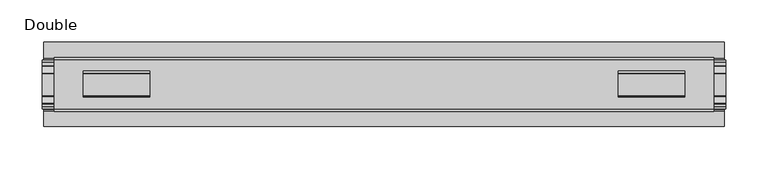
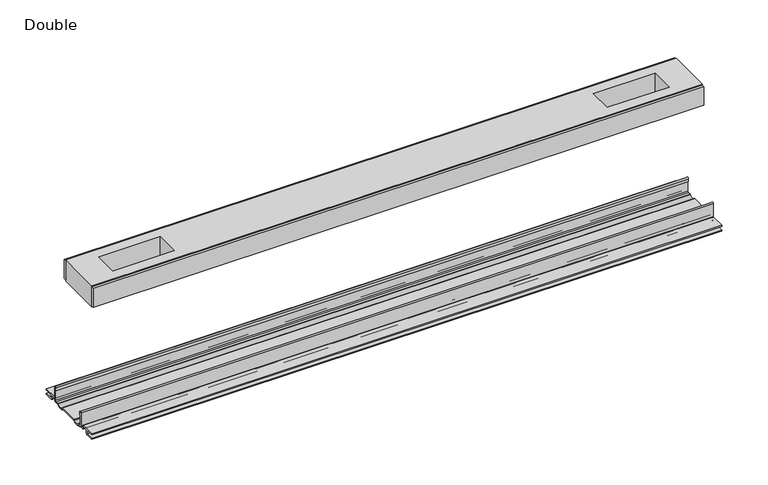
"""IFC4 building model written with IfcOpenShell, lengths in millimetres: proxy geometry, Double."""

from ifc_helpers import new_model, si_unit, point, frame, frame_2d, origin, place, context, project, spatial, polyline, circle_curve, trimmed, segment, composite_curve, outline, extrude, source, transform, mapped, element, save


def double_7a572fdc(model_context):
    return source(origin(), model_context, "Body", "SweptSolid", [
        extrude(outline(polyline([(390.4615091, 29.0068005), (-390.4615091, 29.0068005), (-390.4615091, 32.1817997), (390.4615091, 32.1817997), (390.4615091, 29.0068005)])), frame((0.0, 0.0, 149.8401622), z_axis=(0.0, 0.0, 1.0), x_axis=(1.0, 0.0, 0.0)), (0.0, 0.0, 1.0), 25.3999939),
        extrude(outline(polyline([(390.4615091, -32.1817997), (-390.4615091, -32.1817997), (-390.4615091, -29.0068005), (390.4615091, -29.0068005), (390.4615091, -32.1817997)])), frame((0.0, 0.0, 149.8401622), z_axis=(0.0, 0.0, 1.0), x_axis=(1.0, 0.0, 0.0)), (0.0, 0.0, 1.0), 25.3999939),
        extrude(outline(polyline([(390.4615091, -29.0068005), (-390.4615091, -29.0068005), (-390.4615091, 29.0068005), (390.4615091, 29.0068005), (390.4615091, -29.0068005)]), holes=[polyline([(356.0444965, -15.1130038), (356.0444965, 15.875003), (276.9996847, 15.875003), (276.9996847, -15.1130038), (356.0444965, -15.1130038)]), polyline([(-356.0444965, -15.1130038), (-276.9996847, -15.1130038), (-276.9996847, 15.875003), (-356.0444965, 15.875003), (-356.0444965, -15.1130038)])]), frame((0.0, 0.0, 148.4185847), z_axis=(0.0, 0.0, 1.0), x_axis=(1.0, 0.0, 0.0)), (0.0, 0.0, 1.0), 27.9999988),
        extrude(outline(composite_curve([segment(trimmed(circle_curve(frame_2d((26.6420561, -7.7516037)), 2.17424), [point((28.8162961, -7.7516037))], [point((26.6420561, -9.9258438))], False, "CARTESIAN"), True, "CONTINUOUS"), segment(polyline([(26.6420561, -9.9258438), (22.3510694, -9.9258438)]), True, "CONTINUOUS"), segment(trimmed(circle_curve(frame_2d((17.7706549, -6.4800016)), 5.7318431), [point((22.3510694, -9.9258438))], [point((13.1902404, -9.9258438))], False, "CARTESIAN"), True, "CONTINUOUS"), segment(polyline([(13.1902404, -9.9258438), (-13.57124, -9.9258438)]), True, "CONTINUOUS"), segment(trimmed(circle_curve(frame_2d((-18.1516545, -6.4800016)), 5.7318431), [point((-13.57124, -9.9258438))], [point((-22.732069, -9.9258438))], False, "CARTESIAN"), True, "CONTINUOUS"), segment(polyline([(-22.732069, -9.9258438), (-27.0230557, -9.9258438)]), True, "CONTINUOUS"), segment(trimmed(circle_curve(frame_2d((-27.0230557, -7.7516037)), 2.17424), [point((-27.0230557, -9.9258438))], [point((-29.1972958, -7.7516037))], False, "CARTESIAN"), True, "CONTINUOUS"), segment(polyline([(-29.1972958, -7.7516037), (-29.1972958, 9.8607558)]), True, "CONTINUOUS"), segment(trimmed(circle_curve(frame_2d((-27.9780978, 9.8607558)), 1.2191979), [point((-29.1972958, 9.8607558))], [point((-26.7588999, 9.8607558))], False, "CARTESIAN"), True, "CONTINUOUS"), segment(polyline([(-26.7588999, 9.8607558), (-26.7588999, 5.9999563), (-28.0390765, 5.9999563), (-28.0390765, -7.7516037)]), True, "CONTINUOUS"), segment(trimmed(circle_curve(frame_2d((-27.0230557, -7.7516037)), 1.0160208), [point((-28.0390765, -7.7516037))], [point((-27.0295728, -8.7676036))], True, "CARTESIAN"), True, "CONTINUOUS"), segment(polyline([(-27.0295728, -8.7676036), (-23.0866222, -8.7676036), (-22.1732605, -8.968753)]), True, "CONTINUOUS"), segment(trimmed(circle_curve(frame_2d((-18.1483018, -6.1259382)), 4.9276657), [point((-22.1732605, -8.968753))], [point((-14.123343, -8.968753))], True, "CARTESIAN"), True, "CONTINUOUS"), segment(polyline([(-14.123343, -8.968753), (-13.2099722, -8.7676036), (12.8289726, -8.7676036), (13.7423434, -8.968753)]), True, "CONTINUOUS"), segment(trimmed(circle_curve(frame_2d((17.7673021, -6.1259382)), 4.9276657), [point((13.7423434, -8.968753))], [point((21.7922609, -8.968753))], True, "CARTESIAN"), True, "CONTINUOUS"), segment(polyline([(21.7922609, -8.968753), (22.7056226, -8.7676036), (26.6485732, -8.7676036)]), True, "CONTINUOUS"), segment(trimmed(circle_curve(frame_2d((26.6420561, -7.7516037)), 1.0160208), [point((26.6485732, -8.7676036))], [point((27.6580769, -7.7516037))], True, "CARTESIAN"), True, "CONTINUOUS"), segment(polyline([(27.6580769, -7.7516037), (27.6580769, 5.9999563), (26.3779003, 5.9999563), (26.3779003, 9.8607558)]), True, "CONTINUOUS"), segment(trimmed(circle_curve(frame_2d((27.5970982, 9.8607558)), 1.2191979), [point((26.3779003, 9.8607558))], [point((28.8162961, 9.8607558))], False, "CARTESIAN"), True, "CONTINUOUS"), segment(polyline([(28.8162961, 9.8607558), (28.8162961, -7.7516037)]), True, "CONTINUOUS")], self_intersect=False)), frame((-404.5204, 0.0, 0.0), z_axis=(1.0, 0.0, 0.0), x_axis=(0.0, 1.0, 0.0)), (0.0, 0.0, 1.0), 809.0408),
        extrude(outline(composite_curve([segment(polyline([(50.2668422, -13.9898438), (39.6557522, -13.9898438)]), True, "CONTINUOUS"), segment(trimmed(circle_curve(frame_2d((39.6557522, -12.4658438)), 1.524), [point((39.6557522, -13.9898438))], [point((38.1317522, -12.4658438))], False, "CARTESIAN"), True, "CONTINUOUS"), segment(polyline([(38.1317522, -12.4658438), (38.1317522, -7.766844), (31.3054974, -7.766844), (31.3054974, -10.0528438)]), True, "CONTINUOUS"), segment(trimmed(circle_curve(frame_2d((29.7814974, -10.0528438)), 1.524), [point((31.3054974, -10.0528438))], [point((29.7814974, -11.5768438))], False, "CARTESIAN"), True, "CONTINUOUS"), segment(polyline([(29.7814974, -11.5768438), (23.2753553, -11.5768438)]), True, "CONTINUOUS"), segment(trimmed(circle_curve(frame_2d((17.7673021, -6.4968436)), 7.4930002), [point((23.2753553, -11.5768438))], [point((12.5094972, -11.8354331))], False, "CARTESIAN"), True, "CONTINUOUS"), segment(polyline([(12.5094972, -11.8354331), (-12.8904968, -11.8354331)]), True, "CONTINUOUS"), segment(trimmed(circle_curve(frame_2d((-18.1483018, -6.4968436)), 7.4930002), [point((-12.8904968, -11.8354331))], [point((-23.6563549, -11.5768438))], False, "CARTESIAN"), True, "CONTINUOUS"), segment(polyline([(-23.6563549, -11.5768438), (-30.1624971, -11.5768438)]), True, "CONTINUOUS"), segment(trimmed(circle_curve(frame_2d((-30.1624971, -10.0528438)), 1.524), [point((-30.1624971, -11.5768438))], [point((-31.686497, -10.0528438))], False, "CARTESIAN"), True, "CONTINUOUS"), segment(polyline([(-31.686497, -10.0528438), (-31.686497, -7.766844), (-38.5127519, -7.766844), (-38.5127519, -12.4658438)]), True, "CONTINUOUS"), segment(trimmed(circle_curve(frame_2d((-40.0367518, -12.4658438)), 1.524), [point((-38.5127519, -12.4658438))], [point((-40.0367518, -13.9898438))], False, "CARTESIAN"), True, "CONTINUOUS"), segment(polyline([(-40.0367518, -13.9898438), (-50.00625, -13.9898438), (-50.00625, -12.3388438), (-40.1637503, -12.3388438), (-40.1637503, -7.766844), (-50.00625, -7.766844), (-50.00625, -6.1158439), (-31.6239218, -6.1158439)]), True, "CONTINUOUS"), segment(trimmed(circle_curve(frame_2d((-31.6864982, -7.7656583)), 1.6510007), [point((-31.6239218, -6.1158439))], [point((-30.0354975, -7.7656583))], False, "CARTESIAN"), True, "CONTINUOUS"), segment(polyline([(-30.0354975, -7.7656583), (-30.0354975, -9.9258438), (-23.486834, -9.9258438)]), True, "CONTINUOUS"), segment(trimmed(circle_curve(frame_2d((-18.1483018, -5.2268471)), 7.1119966), [point((-23.486834, -9.9258438))], [point((-12.8097695, -9.9258438))], True, "CARTESIAN"), True, "CONTINUOUS"), segment(polyline([(-12.8097695, -9.9258438), (12.4287699, -9.9258438)]), True, "CONTINUOUS"), segment(trimmed(circle_curve(frame_2d((17.7673021, -5.2268471)), 7.1119966), [point((12.4287699, -9.9258438))], [point((23.1058344, -9.9258438))], True, "CARTESIAN"), True, "CONTINUOUS"), segment(polyline([(23.1058344, -9.9258438), (29.6544978, -9.9258438), (29.6544978, -7.6398436)]), True, "CONTINUOUS"), segment(trimmed(circle_curve(frame_2d((31.1784975, -7.6398436)), 1.5239997), [point((29.6544978, -7.6398436))], [point((31.1784975, -6.1158439))], False, "CARTESIAN"), True, "CONTINUOUS"), segment(polyline([(31.1784975, -6.1158439), (50.2668422, -6.1158439), (50.2240211, -7.766844), (39.7827507, -7.766844), (39.7827507, -12.3388438), (50.2240211, -12.3388438), (50.2668422, -13.9898438)]), True, "CONTINUOUS")], self_intersect=False)), frame((-402.8694, 0.0, 0.0), z_axis=(1.0, 0.0, 0.0), x_axis=(0.0, 1.0, 0.0)), (0.0, 0.0, 1.0), 805.7388),
    ])


if __name__ == "__main__":
    model = new_model("IFC4")
    model_context = context("Model", 3, world=origin())
    ifc_project = project(units=[si_unit("LENGTHUNIT", "METRE", prefix="MILLI")], contexts=[model_context])
    site = spatial("IfcSite", under=ifc_project)
    building = spatial("IfcBuilding", under=site)
    placement = place(None, origin())
    double_shape = double_7a572fdc(model_context)
    element("IfcBuildingElementProxy", 1, Name="Double", ObjectType="Double", at=placement, inside=building, context=model_context, shape_type="MappedRepresentation", body=[
        mapped(double_shape, transform((0.0, 0.0, 0.0), x_axis=(1.0, 0.0, 0.0), y_axis=(0.0, 1.0, 0.0), z_axis=(0.0, 0.0, 1.0))),
    ])
    save(model, "model.ifc")
